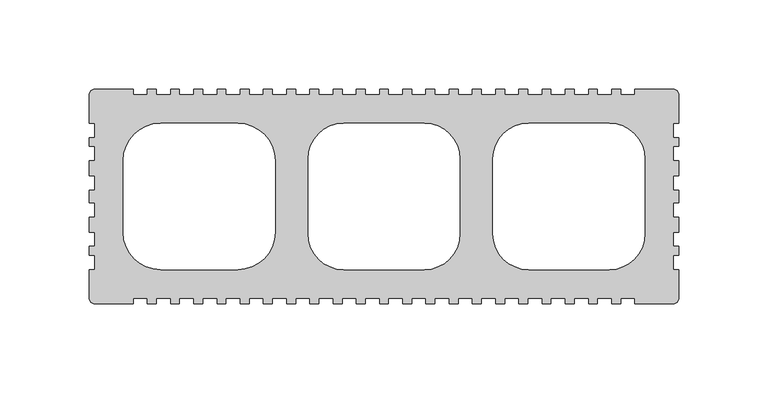
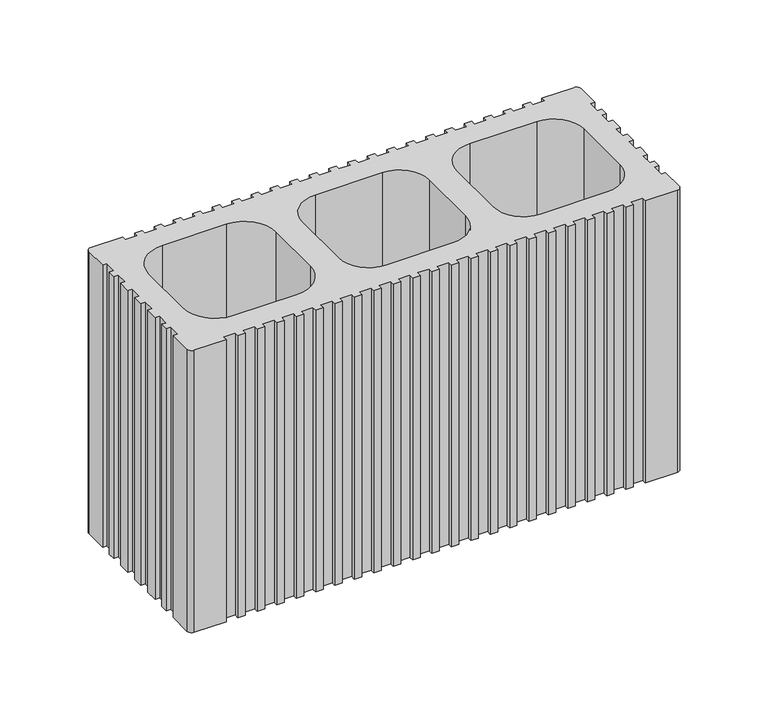
"""IFC4 building model written with IfcOpenShell, lengths in millimetres: proxy geometry."""

from ifc_helpers import new_model, si_unit, point, frame_2d, origin, origin_with_axes, place, context, project, spatial, polyline, circle_curve, trimmed, segment, composite_curve, outline, extrude, source, transform, mapped, element, save


def generic_models_e292ce62(model_context):
    return source(origin(), model_context, "Body", "SweptSolid", [
        extrude(outline(composite_curve([segment(polyline([(-140.5004576, -60.0001926), (-162.0005265, -60.0001926)]), True, "CONTINUOUS"), segment(trimmed(circle_curve(frame_2d((-162.0005265, -57.0001829)), 3.0000097), [point((-162.0005265, -60.0001926))], [point((-165.0005362, -57.0001829))], False, "CARTESIAN"), True, "CONTINUOUS"), segment(polyline([(-165.0005362, -57.0001829), (-165.0005362, -41.0001318), (-162.0005264, -41.0001318), (-162.0005264, -33.0001046), (-165.0005362, -33.0001046), (-165.0005362, -28.0000876), (-162.0005264, -28.0000876), (-162.0005264, -20.0000642), (-165.0005362, -20.0000642), (-165.0005362, -11.5000344), (-162.0005264, -11.5000344), (-162.0005264, -3.500011), (-165.0005362, -3.500011), (-165.0005362, 3.5000147), (-162.0005264, 3.5000147), (-162.0005264, 11.5000419), (-165.0005362, 11.5000419), (-165.0005362, 20.0000642), (-162.0005264, 20.0000642), (-162.0005264, 28.0000914), (-165.0005362, 28.0000914), (-165.0005362, 33.0001102), (-162.0005264, 33.0001102), (-162.0005264, 41.0001374), (-165.0005362, 41.0001374), (-165.0005362, 57.0001875)]), True, "CONTINUOUS"), segment(trimmed(circle_curve(frame_2d((-162.000531, 57.0001875)), 3.0000051), [point((-165.0005362, 57.0001875))], [point((-162.000531, 60.0001926))], False, "CARTESIAN"), True, "CONTINUOUS"), segment(polyline([(-162.000531, 60.0001926), (-140.5004576, 60.0001926), (-140.5004576, 57.0001829), (-132.5004323, 57.0001829), (-132.5004323, 60.0001926), (-127.5004135, 60.0001926), (-127.5004135, 57.0001829), (-119.50039, 57.0001829), (-119.50039, 60.0001926), (-114.5003712, 60.0001926), (-114.5003712, 57.0001829), (-106.5003477, 57.0001829), (-106.5003477, 60.0001926), (-101.5003289, 60.0001926), (-101.5003289, 57.0001829), (-93.5003017, 57.0001829), (-93.5003017, 60.0001926), (-88.5002903, 60.0001926), (-88.5002903, 57.0001829), (-80.5002632, 57.0001829), (-80.5002632, 60.0001926), (-75.5002443, 60.0001926), (-75.5002443, 57.0001829), (-67.5002246, 57.0001829), (-67.5002246, 60.0001926), (-62.5002057, 60.0001926), (-62.5002057, 57.0001829), (-54.5001786, 57.0001829), (-54.5001786, 60.0001926), (-49.5001597, 60.0001926), (-49.5001597, 57.0001829), (-41.50014, 57.0001829), (-41.50014, 60.0001926), (-36.5001212, 60.0001926), (-36.5001212, 57.0001829), (-28.500094, 57.0001829), (-28.500094, 60.0001926), (-23.5000826, 60.0001926), (-23.5000826, 57.0001829), (-15.5000554, 57.0001829), (-15.5000554, 60.0001926), (-10.500044, 60.0001926), (-10.500044, 57.0001829), (-2.5000169, 57.0001829), (-2.5000169, 60.0001926), (2.5000094, 60.0001926), (2.5000094, 57.0001829), (10.5000366, 57.0001829), (10.5000366, 60.0001926), (15.500048, 60.0001926), (15.500048, 57.0001829), (23.5000752, 57.0001829), (23.5000752, 60.0001926), (28.5000865, 60.0001926), (28.5000865, 57.0001829), (36.5001137, 57.0001829), (36.5001137, 60.0001926), (41.5001251, 60.0001926), (41.5001251, 57.0001829), (49.5001523, 57.0001829), (49.5001523, 60.0001926), (54.5001786, 60.0001926), (54.5001786, 57.0001829), (62.5002057, 57.0001829), (62.5002057, 60.0001926), (67.5002171, 60.0001926), (67.5002171, 57.0001829), (75.5002443, 57.0001829), (75.5002443, 60.0001926), (80.5002557, 60.0001926), (80.5002557, 57.0001829), (88.5002978, 57.0001829), (88.5002978, 60.0001926), (93.5003092, 60.0001926), (93.5003092, 57.0001829), (101.5003214, 57.0001829), (101.5003214, 60.0001926), (106.5003328, 60.0001926), (106.5003328, 57.0001829), (114.5003749, 57.0001829), (114.5003749, 60.0001926), (119.5003863, 60.0001926), (119.5003863, 57.0001829), (127.5003986, 57.0001829), (127.5003986, 60.0001926), (132.5004398, 60.0001926), (132.5004398, 57.0001829), (140.500452, 57.0001829), (140.500452, 60.0001926), (162.000531, 60.0001926)]), True, "CONTINUOUS"), segment(trimmed(circle_curve(frame_2d((162.000531, 57.0001875)), 3.0000051), [point((162.000531, 60.0001926))], [point((165.0005362, 57.0001875))], False, "CARTESIAN"), True, "CONTINUOUS"), segment(polyline([(165.0005362, 57.0001875), (165.0005362, 41.0001374), (162.0005264, 41.0001374), (162.0005264, 33.0001102), (165.0005362, 33.0001102), (165.0005362, 28.0000914), (162.0005264, 28.0000914), (162.0005264, 20.0000642), (165.0005362, 20.0000642), (165.0005362, 11.5000419), (162.0005264, 11.5000419), (162.0005264, 3.5000147), (165.0005362, 3.5000147), (165.0005362, -3.500011), (162.0005264, -3.500011), (162.0005264, -11.5000344), (165.0005362, -11.5000344), (165.0005362, -20.0000642), (162.0005264, -20.0000642), (162.0005264, -28.0000876), (165.0005362, -28.0000876), (165.0005362, -33.0001046), (162.0005264, -33.0001046), (162.0005264, -41.0001318), (165.0005362, -41.0001318), (165.0005362, -57.0001829)]), True, "CONTINUOUS"), segment(trimmed(circle_curve(frame_2d((162.0005265, -57.0001829)), 3.0000097), [point((165.0005362, -57.0001829))], [point((162.0005265, -60.0001926))], False, "CARTESIAN"), True, "CONTINUOUS"), segment(polyline([(162.0005265, -60.0001926), (140.500452, -60.0001926), (140.500452, -57.0001829), (132.5004398, -57.0001829), (132.5004398, -60.0001926), (127.5003986, -60.0001926), (127.5003986, -57.0001829), (119.5003863, -57.0001829), (119.5003863, -60.0001926), (114.5003749, -60.0001926), (114.5003749, -57.0001829), (106.5003328, -57.0001829), (106.5003328, -60.0001926), (101.5003214, -60.0001926), (101.5003214, -57.0001829), (93.5003092, -57.0001829), (93.5003092, -60.0001926), (88.5002978, -60.0001926), (88.5002978, -57.0001829), (80.5002557, -57.0001829), (80.5002557, -60.0001926), (75.5002443, -60.0001926), (75.5002443, -57.0001829), (67.5002171, -57.0001829), (67.5002171, -60.0001926), (62.5002057, -60.0001926), (62.5002057, -57.0001829), (54.5001786, -57.0001829), (54.5001786, -60.0001926), (49.5001523, -60.0001926), (49.5001523, -57.0001829), (41.5001251, -57.0001829), (41.5001251, -60.0001926), (36.5001137, -60.0001926), (36.5001137, -57.0001829), (28.5000865, -57.0001829), (28.5000865, -60.0001926), (23.5000752, -60.0001926), (23.5000752, -57.0001829), (15.500048, -57.0001829), (15.500048, -60.0001926), (10.5000366, -60.0001926), (10.5000366, -57.0001829), (2.5000094, -57.0001829), (2.5000094, -60.0001926), (-2.5000169, -60.0001926), (-2.5000169, -57.0001829), (-10.500044, -57.0001829), (-10.500044, -60.0001926), (-15.5000554, -60.0001926), (-15.5000554, -57.0001829), (-23.5000826, -57.0001829), (-23.5000826, -60.0001926), (-28.500094, -60.0001926), (-28.500094, -57.0001829), (-36.5001212, -57.0001829), (-36.5001212, -60.0001926), (-41.50014, -60.0001926), (-41.50014, -57.0001829), (-49.5001597, -57.0001829), (-49.5001597, -60.0001926), (-54.5001786, -60.0001926), (-54.5001786, -57.0001829), (-62.5002057, -57.0001829), (-62.5002057, -60.0001926), (-67.5002246, -60.0001926), (-67.5002246, -57.0001829), (-75.5002443, -57.0001829), (-75.5002443, -60.0001926), (-80.5002632, -60.0001926), (-80.5002632, -57.0001829), (-88.5002903, -57.0001829), (-88.5002903, -60.0001926), (-93.5003017, -60.0001926), (-93.5003017, -57.0001829), (-101.5003289, -57.0001829), (-101.5003289, -60.0001926), (-106.5003477, -60.0001926), (-106.5003477, -57.0001829), (-114.5003712, -57.0001829), (-114.5003712, -60.0001926), (-119.50039, -60.0001926), (-119.50039, -57.0001829), (-127.5004135, -57.0001829), (-127.5004135, -60.0001926), (-132.5004323, -60.0001926), (-132.5004323, -57.0001829), (-140.5004576, -57.0001829), (-140.5004576, -60.0001926)]), True, "CONTINUOUS")], self_intersect=False), holes=[composite_curve([segment(trimmed(circle_curve(frame_2d((-125.0005362, -20.0001926)), 21.0), [point((-146.0005362, -20.0001926))], [point((-125.0005362, -41.0001926))], True, "CARTESIAN"), True, "CONTINUOUS"), segment(polyline([(-125.0005362, -41.0001926), (-82.0001841, -41.0001926)]), True, "CONTINUOUS"), segment(trimmed(circle_curve(frame_2d((-82.0001841, -20.0001926)), 21.0), [point((-82.0001841, -41.0001926))], [point((-61.0001841, -20.0001926))], True, "CARTESIAN"), True, "CONTINUOUS"), segment(polyline([(-61.0001841, -20.0001926), (-61.0001841, 20.0001926)]), True, "CONTINUOUS"), segment(trimmed(circle_curve(frame_2d((-82.0001841, 20.0001926)), 21.0), [point((-61.0001841, 20.0001926))], [point((-82.0001841, 41.0001926))], True, "CARTESIAN"), True, "CONTINUOUS"), segment(polyline([(-82.0001841, 41.0001926), (-125.0005362, 41.0001926)]), True, "CONTINUOUS"), segment(trimmed(circle_curve(frame_2d((-125.0005362, 20.0001926)), 21.0), [point((-125.0005362, 41.0001926))], [point((-146.0005362, 20.0001926))], True, "CARTESIAN"), True, "CONTINUOUS"), segment(polyline([(-146.0005362, 20.0001926), (-146.0005362, -20.0001926)]), True, "CONTINUOUS")], self_intersect=False), composite_curve([segment(trimmed(circle_curve(frame_2d((-22.5001113, -21.0001278)), 20.0000648), [point((-42.5001761, -21.0001278))], [point((-22.5001113, -41.0001926))], True, "CARTESIAN"), True, "CONTINUOUS"), segment(polyline([(-22.5001113, -41.0001926), (22.5001113, -41.0001926)]), True, "CONTINUOUS"), segment(trimmed(circle_curve(frame_2d((22.5001113, -21.0001278)), 20.0000648), [point((22.5001113, -41.0001926))], [point((42.5001761, -21.0001278))], True, "CARTESIAN"), True, "CONTINUOUS"), segment(polyline([(42.5001761, -21.0001278), (42.5001761, 21.0001278)]), True, "CONTINUOUS"), segment(trimmed(circle_curve(frame_2d((22.5001113, 21.0001278)), 20.0000648), [point((42.5001761, 21.0001278))], [point((22.5001113, 41.0001926))], True, "CARTESIAN"), True, "CONTINUOUS"), segment(polyline([(22.5001113, 41.0001926), (-22.5001113, 41.0001926)]), True, "CONTINUOUS"), segment(trimmed(circle_curve(frame_2d((-22.5001113, 21.0001278)), 20.0000648), [point((-22.5001113, 41.0001926))], [point((-42.5001761, 21.0001278))], True, "CARTESIAN"), True, "CONTINUOUS"), segment(polyline([(-42.5001761, 21.0001278), (-42.5001761, -21.0001278)]), True, "CONTINUOUS")], self_intersect=False), composite_curve([segment(polyline([(61.0001915, 21.0001278), (61.0001915, -21.0001278)]), True, "CONTINUOUS"), segment(trimmed(circle_curve(frame_2d((81.0002563, -21.0001278)), 20.0000648), [point((61.0001915, -21.0001278))], [point((81.0002563, -41.0001926))], True, "CARTESIAN"), True, "CONTINUOUS"), segment(polyline([(81.0002563, -41.0001926), (126.0004789, -41.0001926)]), True, "CONTINUOUS"), segment(trimmed(circle_curve(frame_2d((126.0004789, -21.0001278)), 20.0000648), [point((126.0004789, -41.0001926))], [point((146.0005436, -21.0001278))], True, "CARTESIAN"), True, "CONTINUOUS"), segment(polyline([(146.0005436, -21.0001278), (146.0005436, 21.0001278)]), True, "CONTINUOUS"), segment(trimmed(circle_curve(frame_2d((126.0004789, 21.0001278)), 20.0000648), [point((146.0005436, 21.0001278))], [point((126.0004789, 41.0001926))], True, "CARTESIAN"), True, "CONTINUOUS"), segment(polyline([(126.0004789, 41.0001926), (81.0002563, 41.0001926)]), True, "CONTINUOUS"), segment(trimmed(circle_curve(frame_2d((81.0002563, 21.0001278)), 20.0000648), [point((81.0002563, 41.0001926))], [point((61.0001915, 21.0001278))], True, "CARTESIAN"), True, "CONTINUOUS")], self_intersect=False)]), origin_with_axes(), (0.0, 0.0, 1.0), 200.0),
    ])


if __name__ == "__main__":
    model = new_model("IFC4")
    model_context = context("Model", 3, world=origin())
    ifc_project = project(units=[si_unit("LENGTHUNIT", "METRE", prefix="MILLI")], contexts=[model_context])
    site = spatial("IfcSite", under=ifc_project)
    building = spatial("IfcBuilding", under=site)
    placement = place(None, origin())
    generic_models_shape = generic_models_e292ce62(model_context)
    element("IfcBuildingElementProxy", 1, Name="Generic Models", at=placement, inside=building, context=model_context, shape_type="MappedRepresentation", body=[
        mapped(generic_models_shape, transform((0.0, 0.0, 0.0), x_axis=(1.0, 0.0, 0.0), y_axis=(0.0, 1.0, 0.0), z_axis=(0.0, 0.0, 1.0))),
    ])
    save(model, "model.ifc")
